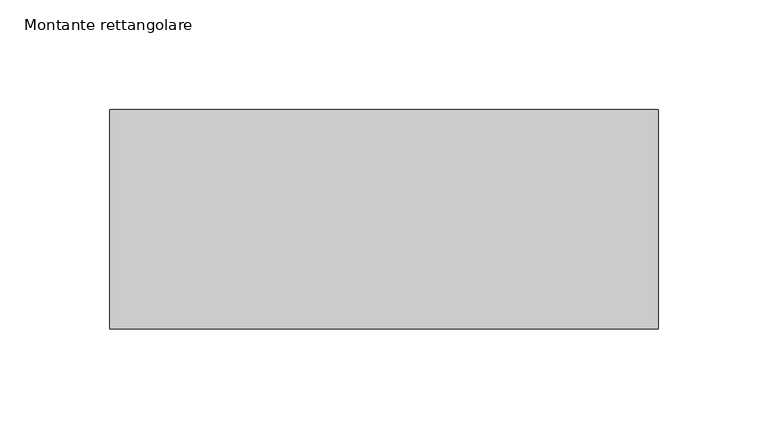
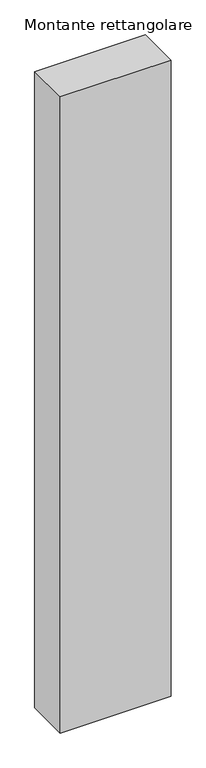
"""IFC4 building model written with IfcOpenShell, lengths in millimetres: member geometry, Montante rettangolare."""

from ifc_helpers import new_model, si_unit, frame, origin, place, context, project, spatial, polyline, outline, extrude, source, transform, mapped, element, save


def montante_rettangolare_b9070e70(model_context):
    return source(origin(), model_context, "Body", "SweptSolid", [
        extrude(outline(polyline([(0.0, 50.0), (0.0, -50.0), (-250.0, -50.0), (-250.0, 50.0), (0.0, 50.0)])), frame((0.0, 0.0, -1519.5764037), z_axis=(0.0, 0.0, 1.0), x_axis=(1.0, 0.0, 0.0)), (0.0, 0.0, 1.0), 1519.5764037),
    ])


if __name__ == "__main__":
    model = new_model("IFC4")
    model_context = context("Model", 3, world=origin())
    ifc_project = project(units=[si_unit("LENGTHUNIT", "METRE", prefix="MILLI")], contexts=[model_context])
    site = spatial("IfcSite", under=ifc_project)
    building = spatial("IfcBuilding", under=site)
    placement = place(None, origin())
    montante_rettangolare_shape = montante_rettangolare_b9070e70(model_context)
    element("IfcMember", 1, ObjectType="Montante rettangolare", at=placement, inside=building, context=model_context, shape_type="MappedRepresentation", body=[
        mapped(montante_rettangolare_shape, transform((0.0, 0.0, 0.0), x_axis=(1.0, 0.0, 0.0), y_axis=(0.0, 1.0, 0.0), z_axis=(0.0, 0.0, 1.0))),
    ])
    save(model, "model.ifc")
